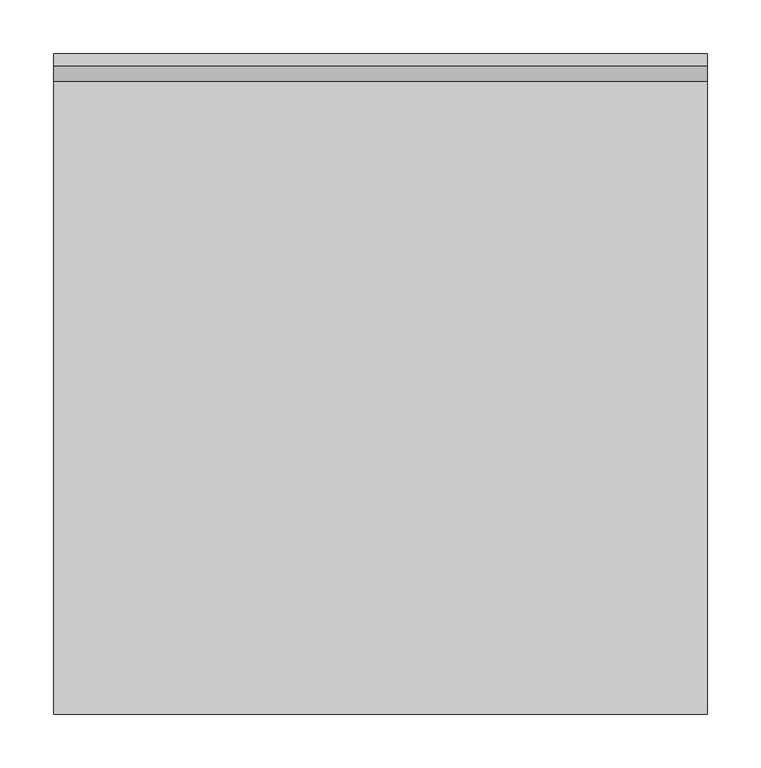
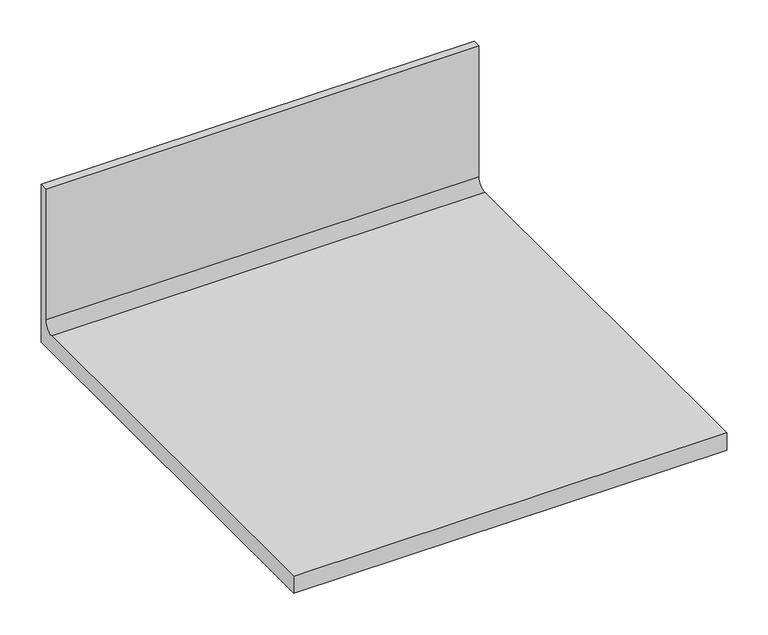
"""IFC4 building model written with IfcOpenShell, lengths in millimetres: furniture geometry."""

from ifc_helpers import new_model, si_unit, point, frame, frame_2d, origin, place, context, project, spatial, polyline, circle_curve, trimmed, segment, composite_curve, outline, extrude, source, transform, mapped, element, save


def furniture_c873433d(model_context):
    return source(origin(), model_context, "Body", "SweptSolid", [
        extrude(outline(composite_curve([segment(polyline([(0.0, 679.45), (-615.95, 679.45), (-615.95, 704.85), (-25.8191, 704.85)]), True, "CONTINUOUS"), segment(trimmed(circle_curve(frame_2d((-25.8191, 719.5566)), 14.7066), [point((-25.8191, 704.85))], [point((-11.1125, 719.5566))], True, "CARTESIAN"), True, "CONTINUOUS"), segment(polyline([(-11.1125, 719.5566), (-11.1125, 914.4), (0.0, 914.4), (0.0, 679.45)]), True, "CONTINUOUS")], self_intersect=False)), frame((0.0, 0.0, 0.0), z_axis=(1.0, 0.0, 0.0), x_axis=(0.0, 1.0, 0.0)), (0.0, 0.0, 1.0), 609.6),
    ])


if __name__ == "__main__":
    model = new_model("IFC4")
    model_context = context("Model", 3, world=origin())
    ifc_project = project(units=[si_unit("LENGTHUNIT", "METRE", prefix="MILLI")], contexts=[model_context])
    site = spatial("IfcSite", under=ifc_project)
    building = spatial("IfcBuilding", under=site)
    placement = place(None, origin())
    furniture_shape = furniture_c873433d(model_context)
    element("IfcFurniture", 1, at=placement, inside=building, context=model_context, shape_type="MappedRepresentation", body=[
        mapped(furniture_shape, transform((0.0, 0.0, 0.0), x_axis=(1.0, 0.0, 0.0), y_axis=(0.0, 1.0, 0.0), z_axis=(0.0, 0.0, 1.0))),
    ])
    save(model, "model.ifc")
